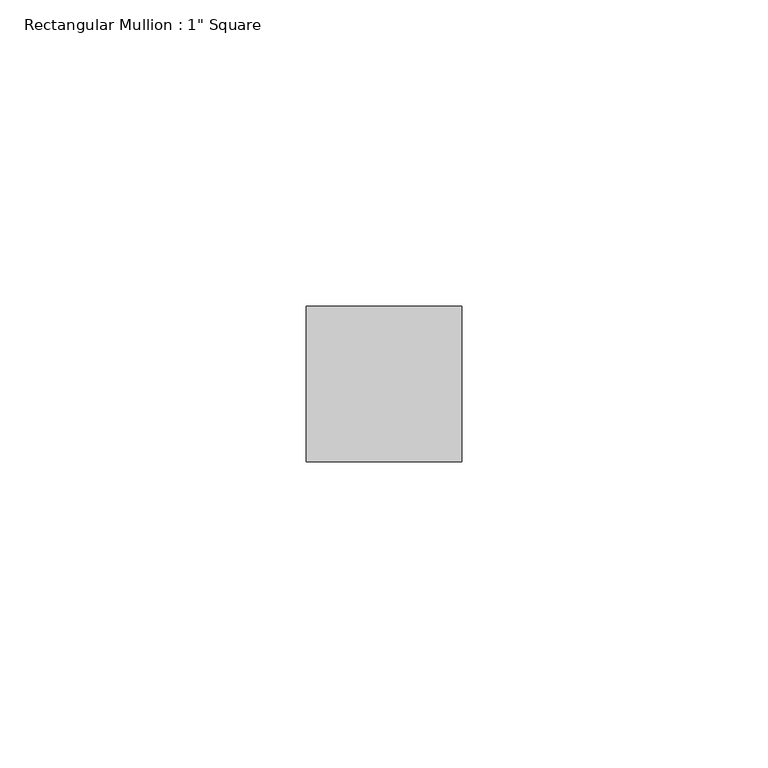
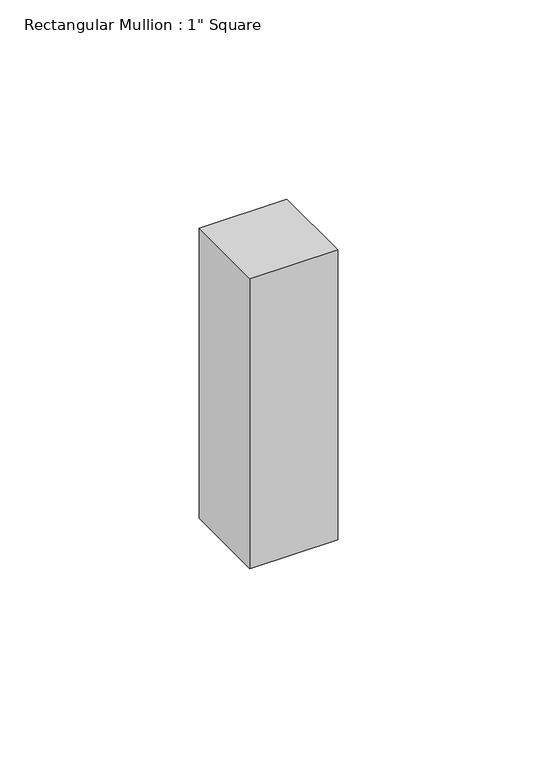
"""IFC4 building model written with IfcOpenShell, lengths in millimetres: member geometry."""

from ifc_helpers import new_model, si_unit, frame, origin, place, context, project, spatial, polyline, outline, extrude, source, transform, mapped, element, save


def member_fbb4b654(model_context):
    return source(origin(), model_context, "Body", "SweptSolid", [
        extrude(outline(polyline([(0.0, 12.7), (0.0, -12.7), (-25.4, -12.7), (-25.4, 12.7), (0.0, 12.7)])), frame((0.0, 0.0, -88.9), z_axis=(0.0, 0.0, 1.0), x_axis=(1.0, 0.0, 0.0)), (0.0, 0.0, 1.0), 88.9),
    ])


if __name__ == "__main__":
    model = new_model("IFC4")
    model_context = context("Model", 3, world=origin())
    ifc_project = project(units=[si_unit("LENGTHUNIT", "METRE", prefix="MILLI")], contexts=[model_context])
    site = spatial("IfcSite", under=ifc_project)
    building = spatial("IfcBuilding", under=site)
    placement = place(None, origin())
    member_shape = member_fbb4b654(model_context)
    element("IfcMember", 1, ObjectType="Rectangular Mullion : 1\" Square", at=placement, inside=building, context=model_context, shape_type="MappedRepresentation", body=[
        mapped(member_shape, transform((0.0, 0.0, 0.0), x_axis=(1.0, 0.0, 0.0), y_axis=(0.0, 1.0, 0.0), z_axis=(0.0, 0.0, 1.0))),
    ])
    save(model, "model.ifc")
